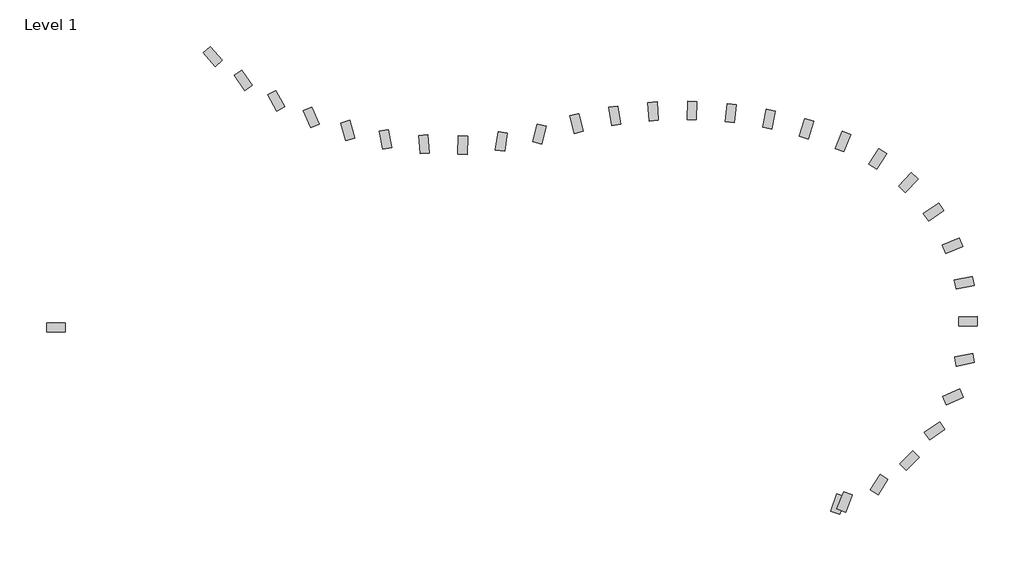
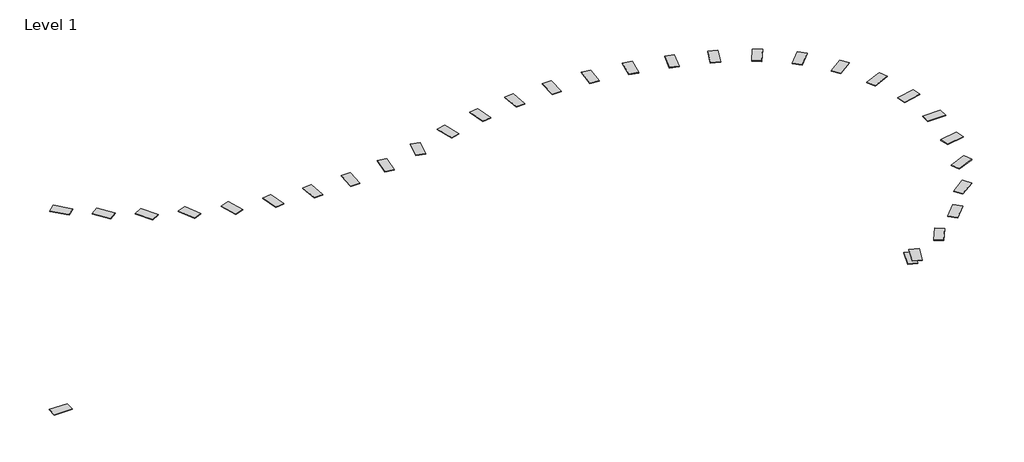
# One storey: 32 proxies.
"""IFC4 building model written with IfcOpenShell, lengths in millimetres."""

import ifcopenshell
import ifcopenshell.guid

model = None  # the IFC model being written
_history = None  # IfcOwnerHistory: only IFC2X3 demands one
_inside = {}  # id of a spatial element -> (the spatial element, [elements in it])
_under = {}  # id of a project, library or spatial element -> (it, [spatial elements below it])
_declared = {}  # id of a project -> (the project, [libraries it declares])
_typed = {}  # id of a type object -> (the type object, [elements of that type])
_made_of = {}  # id of a material, layer set ... -> (it, [elements and type objects made of it])


def new_model(schema):
    """Start an empty IFC model of exactly this schema.

    Asked for "IFC4X3", IfcOpenShell would pick the latest addendum, in which some entities
    have other attributes; the version numbers below select the first issue.
    IFC2X3 requires an IfcOwnerHistory on every rooted entity: one is made here for all.
    """
    global model, _history
    if schema == "IFC4X3":
        model = ifcopenshell.file(schema_version=(4, 3, 0, 0))
    else:
        model = ifcopenshell.file(schema=schema)
    _inside.clear()
    _under.clear()
    _declared.clear()
    _typed.clear()
    _made_of.clear()
    _history = None
    if model.schema == "IFC2X3":
        org = make("IfcOrganization", Name="unknown")
        user = make(
            "IfcPersonAndOrganization",
            ThePerson=make("IfcPerson", FamilyName="unknown"),
            TheOrganization=org,
        )
        app = make(
            "IfcApplication",
            ApplicationDeveloper=org,
            Version="unknown",
            ApplicationFullName="unknown",
            ApplicationIdentifier="unknown",
        )
        _history = make(
            "IfcOwnerHistory",
            OwningUser=user,
            OwningApplication=app,
            ChangeAction="ADDED",
            CreationDate=0,
        )
    return model


def make(cls, **values):
    """One entity of the class cls with the attributes given. An attribute that is None is left unset."""
    return model.create_entity(
        cls, **{name: value for name, value in values.items() if value is not None}
    )


def rooted(cls, **values):
    """An entity with a GlobalId (a new one), such as an element, a storey or a relation."""
    return make(cls, GlobalId=ifcopenshell.guid.new(), OwnerHistory=_history, **values)


def si_unit(unit_type, name, prefix=None):
    """IfcSIUnit, for example si_unit("LENGTHUNIT", "METRE", prefix="MILLI")."""
    return make("IfcSIUnit", UnitType=unit_type, Prefix=prefix, Name=name)


def assignment(units):
    """IfcUnitAssignment: the units of a project."""
    return None if units is None else make("IfcUnitAssignment", Units=units)


def point(xyz):
    """IfcCartesianPoint."""
    return None if xyz is None else make("IfcCartesianPoint", Coordinates=xyz)


def direction(xyz):
    """IfcDirection."""
    return None if xyz is None else make("IfcDirection", DirectionRatios=xyz)


def frame(location, z_axis=None, x_axis=None):
    """IfcAxis2Placement3D, a coordinate frame: its origin and axes. An axis left out is left unset."""
    return make(
        "IfcAxis2Placement3D",
        Location=point(location),
        Axis=direction(z_axis),
        RefDirection=direction(x_axis),
    )


def origin():
    """The frame at (0, 0, 0) with its axes left unset."""
    return frame((0.0, 0.0, 0.0))


def origin_with_axes():
    """The frame at (0, 0, 0) with the z axis (0, 0, 1) and the x axis (1, 0, 0) written out."""
    return frame((0.0, 0.0, 0.0), z_axis=(0.0, 0.0, 1.0), x_axis=(1.0, 0.0, 0.0))


def place(relative_to, where):
    """IfcLocalPlacement: puts the frame where relative to a parent placement (None: the world)."""
    return make(
        "IfcLocalPlacement", PlacementRelTo=relative_to, RelativePlacement=where
    )


def context(
    kind, dimensions, precision=None, world=None, true_north=None, identifier=None
):
    """IfcGeometricRepresentationContext, for example the 3D "Model" context."""
    return make(
        "IfcGeometricRepresentationContext",
        ContextIdentifier=identifier,
        ContextType=kind,
        CoordinateSpaceDimension=dimensions,
        Precision=precision,
        WorldCoordinateSystem=world,
        TrueNorth=true_north,
    )


def project(units=None, contexts=None):
    """IfcProject with its units and contexts."""
    return rooted(
        "IfcProject",
        Name="project",
        RepresentationContexts=contexts,
        UnitsInContext=assignment(units),
    )


def spatial(cls, under=None, at=None, **own):
    """A site, building, storey or space (cls), placed at a placement, below another one or the project."""
    s = rooted(cls, ObjectPlacement=at, **own)
    if under is not None:
        _under.setdefault(under.id(), (under, []))[1].append(s)
    return s


def polyline(points):
    """IfcPolyline through the points."""
    return make("IfcPolyline", Points=[point(p) for p in points])


def outline(outer, holes=None, kind="AREA"):
    """IfcArbitraryClosedProfileDef: a profile drawn as a closed curve; with holes, ...WithVoids."""
    if holes is None:
        return make("IfcArbitraryClosedProfileDef", ProfileType=kind, OuterCurve=outer)
    return make(
        "IfcArbitraryProfileDefWithVoids",
        ProfileType=kind,
        OuterCurve=outer,
        InnerCurves=holes,
    )


def extrude(swept, where, along, depth):
    """IfcExtrudedAreaSolid: the profile swept, set in the frame where, extruded along a direction by depth."""
    return make(
        "IfcExtrudedAreaSolid",
        SweptArea=swept,
        Position=where,
        ExtrudedDirection=direction(along),
        Depth=depth,
    )


def shape(context_of_items, identifier, shape_type, items):
    """IfcShapeRepresentation: the items that make up one representation, for example the "Body"."""
    return make(
        "IfcShapeRepresentation",
        ContextOfItems=context_of_items,
        RepresentationIdentifier=identifier,
        RepresentationType=shape_type,
        Items=items,
    )


def source(mapping_origin, context_of_items, identifier, shape_type, items):
    """IfcRepresentationMap: a shape defined once, which mapped items show again and again."""
    return make(
        "IfcRepresentationMap",
        MappingOrigin=mapping_origin,
        MappedRepresentation=shape(context_of_items, identifier, shape_type, items),
    )


def transform(
    local_origin,
    x_axis=None,
    y_axis=None,
    z_axis=None,
    scale=None,
    scale2=None,
    scale3=None,
    uniform=True,
):
    """IfcCartesianTransformationOperator3D, or its non-uniform kind. x_axis, y_axis, z_axis: its Axis1, 2, 3."""
    if uniform:
        return make(
            "IfcCartesianTransformationOperator3D",
            Axis1=direction(x_axis),
            Axis2=direction(y_axis),
            LocalOrigin=point(local_origin),
            Scale=scale,
            Axis3=direction(z_axis),
        )
    return make(
        "IfcCartesianTransformationOperator3DnonUniform",
        Axis1=direction(x_axis),
        Axis2=direction(y_axis),
        LocalOrigin=point(local_origin),
        Scale=scale,
        Axis3=direction(z_axis),
        Scale2=scale2,
        Scale3=scale3,
    )


def mapped(mapping_source, mapping_target):
    """IfcMappedItem: shows the shape of a source again, moved by a transform."""
    return make(
        "IfcMappedItem", MappingSource=mapping_source, MappingTarget=mapping_target
    )


def made_of(thing, what):
    """Note that an element or type object is made of a material, layer set ...; save() writes the relation."""
    if what is not None:
        _made_of.setdefault(what.id(), (what, []))[1].append(thing)
    return thing


def element(
    cls,
    number,
    at=None,
    inside=None,
    cuts=None,
    type_object=None,
    material=None,
    context=None,
    identifier="Body",
    shape_type=None,
    held_by="IfcProductDefinitionShape",
    body=None,
    shapes=None,
    **own,
):
    """One element of the class cls, such as IfcWall. Its Tag is "e" and its number.

    at: its placement. inside: the storey or other place that contains it. cuts: it is an
    opening in that element (IfcRelVoidsElement). A single representation is given by context,
    identifier, shape_type and body (its items); several are given by shapes. held_by: the class
    of the entity that holds the representations. save() writes the other relations.
    """
    e = rooted(cls, Tag="e%d" % number, ObjectPlacement=at, **own)
    if body is not None:
        shapes = [shape(context, identifier, shape_type, body)]
    if shapes is not None:
        e.Representation = make(held_by, Representations=shapes)
    if inside is not None:
        _inside.setdefault(inside.id(), (inside, []))[1].append(e)
    if cuts is not None:
        rooted(
            "IfcRelVoidsElement", RelatingBuildingElement=cuts, RelatedOpeningElement=e
        )
    if type_object is not None:
        _typed.setdefault(type_object.id(), (type_object, []))[1].append(e)
    return made_of(e, material)


def aggregate(whole, parts):
    """IfcRelAggregates: a whole, such as a stair, and the parts it consists of."""
    return rooted("IfcRelAggregates", RelatingObject=whole, RelatedObjects=parts)


def save(model, path):
    """Write the relations noted so far, then the file.

    IfcRelAggregates (storeys below a building ...), IfcRelContainedInSpatialStructure (elements
    in a storey), IfcRelDefinesByType, IfcRelAssociatesMaterial and IfcRelDeclares: one each for
    every whole, place, type object, material and project.
    """
    for whole, parts in _under.values():
        aggregate(whole, parts)
    for where, things in _inside.values():
        rooted(
            "IfcRelContainedInSpatialStructure",
            RelatedElements=things,
            RelatingStructure=where,
        )
    for kind, things in _typed.values():
        rooted("IfcRelDefinesByType", RelatedObjects=things, RelatingType=kind)
    for what, things in _made_of.values():
        rooted("IfcRelAssociatesMaterial", RelatedObjects=things, RelatingMaterial=what)
    for by, libraries in _declared.values():
        rooted("IfcRelDeclares", RelatingContext=by, RelatedDefinitions=libraries)
    model.write(path)


def gal_paver_type_a_gal_paver_type_a_a285930d(model_context):
    return source(origin(), model_context, "Body", "SweptSolid", [
        extrude(outline(polyline([(-152.4, 76.2), (152.4, 76.2), (152.4, -76.2), (-152.4, -76.2), (-152.4, 76.2)])), origin_with_axes(), (0.0, 0.0, 1.0), 9.8704236),
    ])


model = new_model("IFC4")

# Units and contexts
model_context = context("Model", 3, world=origin())
ifc_project = project(units=[si_unit("LENGTHUNIT", "METRE", prefix="MILLI")], contexts=[model_context])

# Site, building, storey
site = spatial("IfcSite", under=ifc_project)
building = spatial("IfcBuilding", under=site)
storey = spatial("IfcBuildingStorey", under=building, Name="Level 1", Elevation=0.0)

# Proxies
placement = place(None, origin())
gal_paver_type_a_gal_paver_type_a_shape = gal_paver_type_a_gal_paver_type_a_a285930d(model_context)
element("IfcBuildingElementProxy", 1, Name="Gal Paver Type A : Gal Paver Type A", ObjectType="Gal Paver Type A : Gal Paver Type A", at=placement, inside=storey, context=model_context, shape_type="MappedRepresentation", body=[
    mapped(gal_paver_type_a_gal_paver_type_a_shape, transform((-16430.89137, 1654.7770589, 0.0), x_axis=(1.0, 0.0, 0.0), y_axis=(0.0, 1.0, 0.0), z_axis=(0.0, 0.0, 1.0))),
])
element("IfcBuildingElementProxy", 2, Name="Gal Paver Type A : Gal Paver Type A", ObjectType="Gal Paver Type A : Gal Paver Type A", at=placement, inside=storey, context=model_context, shape_type="MappedRepresentation", body=[
    mapped(gal_paver_type_a_gal_paver_type_a_shape, transform((-13838.5041702, 6130.9627069, 0.0), x_axis=(0.6567537900570285, -0.7541050717544132, 0.0), y_axis=(0.7541050717544132, 0.6567537900570285, 0.0), z_axis=(0.0, 0.0, 1.0))),
])
element("IfcBuildingElementProxy", 3, Name="Gal Paver Type A : Gal Paver Type A", ObjectType="Gal Paver Type A : Gal Paver Type A", at=placement, inside=storey, context=model_context, shape_type="MappedRepresentation", body=[
    mapped(gal_paver_type_a_gal_paver_type_a_shape, transform((-13333.9494844, 5737.1010872, 0.0), x_axis=(0.5721360027423598, -0.8201587616833674, 0.0), y_axis=(0.8201587616833674, 0.5721360027423598, 0.0), z_axis=(0.0, 0.0, 1.0))),
])
element("IfcBuildingElementProxy", 4, Name="Gal Paver Type A : Gal Paver Type A", ObjectType="Gal Paver Type A : Gal Paver Type A", at=placement, inside=storey, context=model_context, shape_type="MappedRepresentation", body=[
    mapped(gal_paver_type_a_gal_paver_type_a_shape, transform((-12790.083154, 5399.5928339, 0.0), x_axis=(0.4809253435795206, -0.8767615490559107, 0.0), y_axis=(0.8767615490559107, 0.4809253435795206, 0.0), z_axis=(0.0, 0.0, 1.0))),
])
element("IfcBuildingElementProxy", 5, Name="Gal Paver Type A : Gal Paver Type A", ObjectType="Gal Paver Type A : Gal Paver Type A", at=placement, inside=storey, context=model_context, shape_type="MappedRepresentation", body=[
    mapped(gal_paver_type_a_gal_paver_type_a_shape, transform((-12213.1722921, 5122.3271423, 0.0), x_axis=(0.3841728566981678, -0.9232611852430325, 0.0), y_axis=(0.9232611852430325, 0.3841728566981678, 0.0), z_axis=(0.0, 0.0, 1.0))),
])
element("IfcBuildingElementProxy", 6, Name="Gal Paver Type A : Gal Paver Type A", ObjectType="Gal Paver Type A : Gal Paver Type A", at=placement, inside=storey, context=model_context, shape_type="MappedRepresentation", body=[
    mapped(gal_paver_type_a_gal_paver_type_a_shape, transform((-11609.8647924, 4908.4990169, 0.0), x_axis=(0.2829934461489871, -0.9591218428524712, 0.0), y_axis=(0.9591218428524712, 0.2829934461489871, 0.0), z_axis=(0.0, 0.0, 1.0))),
])
element("IfcBuildingElementProxy", 7, Name="Gal Paver Type A : Gal Paver Type A", ObjectType="Gal Paver Type A : Gal Paver Type A", at=placement, inside=storey, context=model_context, shape_type="MappedRepresentation", body=[
    mapped(gal_paver_type_a_gal_paver_type_a_shape, transform((-10987.112724, 4760.5724549, 0.0), x_axis=(0.17855302857457261, -0.9839302902070085, 0.0), y_axis=(0.9839302902070085, 0.17855302857457261, 0.0), z_axis=(0.0, 0.0, 1.0))),
])
element("IfcBuildingElementProxy", 8, Name="Gal Paver Type A : Gal Paver Type A", ObjectType="Gal Paver Type A : Gal Paver Type A", at=placement, inside=storey, context=model_context, shape_type="MappedRepresentation", body=[
    mapped(gal_paver_type_a_gal_paver_type_a_shape, transform((-10352.0922209, 4680.2520526, 0.0), x_axis=(0.0720550980489496, -0.9974006531204781, 0.0), y_axis=(0.9974006531204781, 0.0720550980489496, 0.0), z_axis=(0.0, 0.0, 1.0))),
])
element("IfcBuildingElementProxy", 9, Name="Gal Paver Type A : Gal Paver Type A", ObjectType="Gal Paver Type A : Gal Paver Type A", at=placement, inside=storey, context=model_context, shape_type="MappedRepresentation", body=[
    mapped(gal_paver_type_a_gal_paver_type_a_shape, transform((-9712.1207893, 4668.4633626, 0.0), x_axis=(-0.03527314209740434, -0.9993777091003062, 0.0), y_axis=(0.9993777091003062, -0.03527314209740434, 0.0), z_axis=(0.0, 0.0, 1.0))),
])
element("IfcBuildingElementProxy", 10, Name="Gal Paver Type A : Gal Paver Type A", ObjectType="Gal Paver Type A : Gal Paver Type A", at=placement, inside=storey, context=model_context, shape_type="MappedRepresentation", body=[
    mapped(gal_paver_type_a_gal_paver_type_a_shape, transform((-9074.5729865, 4725.3422292, 0.0), x_axis=(-0.14219492066047146, -0.9898386760166338, 0.0), y_axis=(0.9898386760166338, -0.14219492066047146, 0.0), z_axis=(0.0, 0.0, 1.0))),
])
element("IfcBuildingElementProxy", 11, Name="Gal Paver Type A : Gal Paver Type A", ObjectType="Gal Paver Type A : Gal Paver Type A", at=placement, inside=storey, context=model_context, shape_type="MappedRepresentation", body=[
    mapped(gal_paver_type_a_gal_paver_type_a_shape, transform((-8446.7954413, 4850.2332225, 0.0), x_axis=(-0.24747815019868852, -0.9688934746267184, 0.0), y_axis=(0.9688934746267184, -0.24747815019868852, 0.0), z_axis=(0.0, 0.0, 1.0))),
])
element("IfcBuildingElementProxy", 12, Name="Gal Paver Type A : Gal Paver Type A", ObjectType="Gal Paver Type A : Gal Paver Type A", at=placement, inside=storey, context=model_context, shape_type="MappedRepresentation", body=[
    mapped(gal_paver_type_a_gal_paver_type_a_shape, transform((-7830.442123, 5022.8918259, 0.0), x_axis=(0.24496178696989107, -0.9695327343233532, 0.0), y_axis=(0.9695327343233532, 0.24496178696989107, 0.0), z_axis=(0.0, 0.0, 1.0))),
])
element("IfcBuildingElementProxy", 13, Name="Gal Paver Type A : Gal Paver Type A", ObjectType="Gal Paver Type A : Gal Paver Type A", at=placement, inside=storey, context=model_context, shape_type="MappedRepresentation", body=[
    mapped(gal_paver_type_a_gal_paver_type_a_shape, transform((-7203.4360054, 5151.5997705, 0.0), x_axis=(0.15679280717108687, -0.9876315181379189, 0.0), y_axis=(0.9876315181379189, 0.15679280717108687, 0.0), z_axis=(0.0, 0.0, 1.0))),
])
element("IfcBuildingElementProxy", 14, Name="Gal Paver Type A : Gal Paver Type A", ObjectType="Gal Paver Type A : Gal Paver Type A", at=placement, inside=storey, context=model_context, shape_type="MappedRepresentation", body=[
    mapped(gal_paver_type_a_gal_paver_type_a_shape, transform((-6567.3967491, 5223.4083405, 0.0), x_axis=(0.06735359631982446, -0.9977291681928449, 0.0), y_axis=(0.9977291681928449, 0.06735359631982446, 0.0), z_axis=(0.0, 0.0, 1.0))),
])
element("IfcBuildingElementProxy", 15, Name="Gal Paver Type A : Gal Paver Type A", ObjectType="Gal Paver Type A : Gal Paver Type A", at=placement, inside=storey, context=model_context, shape_type="MappedRepresentation", body=[
    mapped(gal_paver_type_a_gal_paver_type_a_shape, transform((-5927.4771208, 5237.7357906, 0.0), x_axis=(-0.022631268576949578, -0.9997438800425826, 0.0), y_axis=(0.9997438800425826, -0.022631268576949578, 0.0), z_axis=(0.0, 0.0, 1.0))),
])
element("IfcBuildingElementProxy", 16, Name="Gal Paver Type A : Gal Paver Type A", ObjectType="Gal Paver Type A : Gal Paver Type A", at=placement, inside=storey, context=model_context, shape_type="MappedRepresentation", body=[
    mapped(gal_paver_type_a_gal_paver_type_a_shape, transform((-5288.8613241, 5194.4660492, 0.0), x_axis=(-0.11243278998608902, -0.993659331831561, 0.0), y_axis=(0.993659331831561, -0.11243278998608902, 0.0), z_axis=(0.0, 0.0, 1.0))),
])
element("IfcBuildingElementProxy", 17, Name="Gal Paver Type A : Gal Paver Type A", ObjectType="Gal Paver Type A : Gal Paver Type A", at=placement, inside=storey, context=model_context, shape_type="MappedRepresentation", body=[
    mapped(gal_paver_type_a_gal_paver_type_a_shape, transform((-4656.7229992, 5093.9496592, 0.0), x_axis=(-0.20132345570145208, -0.9795248165230045, 0.0), y_axis=(0.9795248165230045, -0.20132345570145208, 0.0), z_axis=(0.0, 0.0, 1.0))),
])
element("IfcBuildingElementProxy", 18, Name="Gal Paver Type A : Gal Paver Type A", ObjectType="Gal Paver Type A : Gal Paver Type A", at=placement, inside=storey, context=model_context, shape_type="MappedRepresentation", body=[
    mapped(gal_paver_type_a_gal_paver_type_a_shape, transform((-4036.1833107, 4937.0009373, 0.0), x_axis=(-0.28858313266398866, -0.9574548425601277, 0.0), y_axis=(0.9574548425601277, -0.28858313266398866, 0.0), z_axis=(0.0, 0.0, 1.0))),
])
element("IfcBuildingElementProxy", 19, Name="Gal Paver Type A : Gal Paver Type A", ObjectType="Gal Paver Type A : Gal Paver Type A", at=placement, inside=storey, context=model_context, shape_type="MappedRepresentation", body=[
    mapped(gal_paver_type_a_gal_paver_type_a_shape, transform((-3432.2694582, 4724.8913778, 0.0), x_axis=(-0.37350490100087286, -0.9276282061948786, 0.0), y_axis=(0.9276282061948786, -0.37350490100087286, 0.0), z_axis=(0.0, 0.0, 1.0))),
])
element("IfcBuildingElementProxy", 20, Name="Gal Paver Type A : Gal Paver Type A", ObjectType="Gal Paver Type A : Gal Paver Type A", at=placement, inside=storey, context=model_context, shape_type="MappedRepresentation", body=[
    mapped(gal_paver_type_a_gal_paver_type_a_shape, transform((-2859.2725769, 4439.6248701, 0.0), x_axis=(-0.5311569039992907, -0.8472734761184776, 0.0), y_axis=(0.8472734761184776, -0.5311569039992907, 0.0), z_axis=(0.0, 0.0, 1.0))),
])
element("IfcBuildingElementProxy", 21, Name="Gal Paver Type A : Gal Paver Type A", ObjectType="Gal Paver Type A : Gal Paver Type A", at=placement, inside=storey, context=model_context, shape_type="MappedRepresentation", body=[
    mapped(gal_paver_type_a_gal_paver_type_a_shape, transform((-2353.8653198, 4046.857877, 0.0), x_axis=(-0.6898726052522085, -0.7239307898705032, 0.0), y_axis=(0.7239307898705032, -0.6898726052522085, 0.0), z_axis=(0.0, 0.0, 1.0))),
])
element("IfcBuildingElementProxy", 22, Name="Gal Paver Type A : Gal Paver Type A", ObjectType="Gal Paver Type A : Gal Paver Type A", at=placement, inside=storey, context=model_context, shape_type="MappedRepresentation", body=[
    mapped(gal_paver_type_a_gal_paver_type_a_shape, transform((-1937.2177642, 3560.9492222, 0.0), x_axis=(-0.8207146302424463, -0.5713383373326218, 0.0), y_axis=(0.5713383373326218, -0.8207146302424463, 0.0), z_axis=(0.0, 0.0, 1.0))),
])
element("IfcBuildingElementProxy", 23, Name="Gal Paver Type A : Gal Paver Type A", ObjectType="Gal Paver Type A : Gal Paver Type A", at=placement, inside=storey, context=model_context, shape_type="MappedRepresentation", body=[
    mapped(gal_paver_type_a_gal_paver_type_a_shape, transform((-1626.1641763, 3001.5316037, 0.0), x_axis=(-0.9183964257450098, -0.39566147800713536, 0.0), y_axis=(0.39566147800713536, -0.9183964257450098, 0.0), z_axis=(0.0, 0.0, 1.0))),
])
element("IfcBuildingElementProxy", 24, Name="Gal Paver Type A : Gal Paver Type A", ObjectType="Gal Paver Type A : Gal Paver Type A", at=placement, inside=storey, context=model_context, shape_type="MappedRepresentation", body=[
    mapped(gal_paver_type_a_gal_paver_type_a_shape, transform((-1433.2723939, 2391.2077825, 0.0), x_axis=(-0.9789712475003557, -0.20399827589368852, 0.0), y_axis=(0.20399827589368852, -0.9789712475003557, 0.0), z_axis=(0.0, 0.0, 1.0))),
])
element("IfcBuildingElementProxy", 25, Name="Gal Paver Type A : Gal Paver Type A", ObjectType="Gal Paver Type A : Gal Paver Type A", at=placement, inside=storey, context=model_context, shape_type="MappedRepresentation", body=[
    mapped(gal_paver_type_a_gal_paver_type_a_shape, transform((-1366.3360343, 1754.6373386, 0.0), x_axis=(-0.9999916248328492, -0.004092708657878412, 0.0), y_axis=(0.004092708657878412, -0.9999916248328492, 0.0), z_axis=(0.0, 0.0, 1.0))),
])
element("IfcBuildingElementProxy", 26, Name="Gal Paver Type A : Gal Paver Type A", ObjectType="Gal Paver Type A : Gal Paver Type A", at=placement, inside=storey, context=model_context, shape_type="MappedRepresentation", body=[
    mapped(gal_paver_type_a_gal_paver_type_a_shape, transform((-1428.0596004, 1117.5403226, 0.0), x_axis=(-0.9806082484812957, -0.19597822075538254, 0.0), y_axis=(0.19597822075538254, -0.9806082484812957, 0.0), z_axis=(0.0, 0.0, 1.0))),
])
element("IfcBuildingElementProxy", 27, Name="Gal Paver Type A : Gal Paver Type A", ObjectType="Gal Paver Type A : Gal Paver Type A", at=placement, inside=storey, context=model_context, shape_type="MappedRepresentation", body=[
    mapped(gal_paver_type_a_gal_paver_type_a_shape, transform((-1615.9492075, 505.6580611, 0.0), x_axis=(-0.9216042861685294, -0.3881308280925328, 0.0), y_axis=(0.3881308280925328, -0.9216042861685294, 0.0), z_axis=(0.0, 0.0, 1.0))),
])
element("IfcBuildingElementProxy", 28, Name="Gal Paver Type A : Gal Paver Type A", ObjectType="Gal Paver Type A : Gal Paver Type A", at=placement, inside=storey, context=model_context, shape_type="MappedRepresentation", body=[
    mapped(gal_paver_type_a_gal_paver_type_a_shape, transform((-1922.4133466, -56.2868987, 0.0), x_axis=(-0.8253637394206296, -0.5646013617142588, 0.0), y_axis=(0.5646013617142588, -0.8253637394206296, 0.0), z_axis=(0.0, 0.0, 1.0))),
])
element("IfcBuildingElementProxy", 29, Name="Gal Paver Type A : Gal Paver Type A", ObjectType="Gal Paver Type A : Gal Paver Type A", at=placement, inside=storey, context=model_context, shape_type="MappedRepresentation", body=[
    mapped(gal_paver_type_a_gal_paver_type_a_shape, transform((-2335.0696125, -545.5896809, 0.0), x_axis=(-0.6957751201497524, -0.7182596899315719, 0.0), y_axis=(0.7182596899315719, -0.6957751201497524, 0.0), z_axis=(0.0, 0.0, 1.0))),
])
element("IfcBuildingElementProxy", 30, Name="Gal Paver Type A : Gal Paver Type A", ObjectType="Gal Paver Type A : Gal Paver Type A", at=placement, inside=storey, context=model_context, shape_type="MappedRepresentation", body=[
    mapped(gal_paver_type_a_gal_paver_type_a_shape, transform((-2837.2450034, -942.4804507, 0.0), x_axis=(-0.5380743388608015, -0.8428973875030765, 0.0), y_axis=(0.8428973875030765, -0.5380743388608015, 0.0), z_axis=(0.0, 0.0, 1.0))),
])
element("IfcBuildingElementProxy", 31, Name="Gal Paver Type A : Gal Paver Type A", ObjectType="Gal Paver Type A : Gal Paver Type A", at=placement, inside=storey, context=model_context, shape_type="MappedRepresentation", body=[
    mapped(gal_paver_type_a_gal_paver_type_a_shape, transform((-3408.6495785, -1230.9231971, 0.0), x_axis=(-0.3586331524412847, -0.93347858142007, 0.0), y_axis=(0.93347858142007, -0.3586331524412847, 0.0), z_axis=(0.0, 0.0, 1.0))),
])
element("IfcBuildingElementProxy", 32, Name="Gal Paver Type A : Gal Paver Type A", ObjectType="Gal Paver Type A : Gal Paver Type A", at=placement, inside=storey, context=model_context, shape_type="MappedRepresentation", body=[
    mapped(gal_paver_type_a_gal_paver_type_a_shape, transform((-3511.1679183, -1268.3067878, 0.0), x_axis=(-0.3264387785581256, -0.9452183471841198, 0.0), y_axis=(0.9452183471841198, -0.3264387785581256, 0.0), z_axis=(0.0, 0.0, 1.0))),
])

save(model, "model.ifc")
